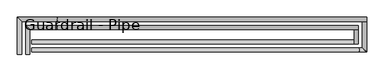
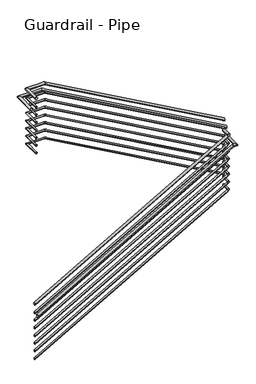
"""IFC4 building model written with IfcOpenShell, lengths in millimetres: railing geometry, Guardrail - Pipe."""

from ifc_helpers import new_model, si_unit, frame, origin, place, context, project, spatial, circle_curve, ellipse_curve, source, transform, mapped, element, save
from ifc_brep_helpers import plane_surface, cylinder_surface, advanced_brep


def guardrail_pipe_2bf0bba3(model_context):
    return source(origin(), model_context, "Body", "AdvancedBrep", [
        advanced_brep(
        [(2655.3404629, -22606.8340928, 12325.35), (2693.4404629, -22606.8340928, 12325.35), (2655.3404629, -22333.7840928, 12325.35), (2693.4404629, -22371.8840928, 12325.35), (2948.8126111, -22333.7840928, 12325.35), (2948.8126111, -22371.8840928, 12325.35), (5782.5952881, -22333.7840928, 10735.8587793), (5782.5952881, -22371.8840928, 10735.8587793)],
        [
            (0, 1, circle_curve(frame((2674.3904629, -22606.8340928, 12325.35), z_axis=(0.0, -1.0, 0.0), x_axis=(1.0, 0.0, 0.0)), 19.05)),
            (1, 0, circle_curve(frame((2674.3904629, -22606.8340928, 12325.35), z_axis=(0.0, -1.0, 0.0), x_axis=(1.0, 0.0, 0.0)), 19.05)),
            (0, 2),
            (2, 3, ellipse_curve(frame((2674.3904629, -22352.8340928, 12325.35), z_axis=(-0.7071067811865552, -0.7071067811865397, 0.0), x_axis=(0.7071067811865396, -0.7071067811865555, 0.0)), 26.9407684, 19.05)),
            (3, 1),
            (3, 2, ellipse_curve(frame((2674.3904629, -22352.8340928, 12325.35), z_axis=(-0.7071067811865552, -0.7071067811865397, 0.0), x_axis=(0.7071067811865396, -0.7071067811865555, 0.0)), 26.9407684, 19.05)),
            (2, 4),
            (4, 5, ellipse_curve(frame((2948.8126111, -22352.8340928, 12325.35), z_axis=(-0.9675143981160799, 0.0, 0.2528159200645393), x_axis=(-0.2528159200645399, 0.0, -0.9675143981160796)), 19.6896295, 19.05)),
            (5, 3),
            (5, 4, ellipse_curve(frame((2948.8126111, -22352.8340928, 12325.35), z_axis=(-0.9675143981160799, 0.0, 0.2528159200645393), x_axis=(-0.2528159200645399, 0.0, -0.9675143981160796)), 19.6896295, 19.05)),
            (6, 7, ellipse_curve(frame((5782.5952881, -22352.8340928, 10735.8587793), z_axis=(1.0, 0.0, 0.0), x_axis=(0.0, 0.0, 1.0)), 21.8421166, 19.05)),
            (7, 6, ellipse_curve(frame((5782.5952881, -22352.8340928, 10735.8587793), z_axis=(1.0, 0.0, 0.0), x_axis=(0.0, 0.0, 1.0)), 21.8421166, 19.05)),
            (4, 6),
            (7, 5),
        ],
        [
            plane_surface(frame((2674.3904629, -22606.8340928, 12344.4), z_axis=(0.0, -1.0, 0.0), x_axis=(0.0, 0.0, 1.0))),
            cylinder_surface(frame((2674.3904629, -22606.8340928, 12325.35), z_axis=(0.0, -1.0, 0.0), x_axis=(1.0, 0.0, 0.0)), 19.05),
            cylinder_surface(frame((2674.3904629, -22352.8340928, 12325.35), z_axis=(-1.0, 0.0, 0.0), x_axis=(0.0, -1.0, 0.0)), 19.05),
            plane_surface(frame((5782.5952881, -22352.8340928, 10757.7008959), z_axis=(1.0, 0.0, 0.0), x_axis=(0.0, 1.0, 0.0))),
            cylinder_surface(frame((2944.471087, -22352.8340928, 12327.7851954), z_axis=(-0.8721682211238411, 0.0, 0.48920608547081146), x_axis=(0.0, -1.0, 0.0)), 19.05),
        ],
        [
            (0, [[1, 2]]),
            (1, [[-1, 3, 4, 5]]),
            (1, [[-2, -5, 6, -3]]),
            (2, [[-4, 7, 8, 9]]),
            (2, [[-6, -9, 10, -7]]),
            (3, [[11, 12]]),
            (4, [[-8, 13, -12, 14]]),
            (4, [[-10, -14, -11, -13]]),
        ],
    ),
        advanced_brep(
        [(5782.5952881, -22371.8840928, 10576.0630435), (5744.4952881, -22371.8840928, 10576.0630435), (5782.5952881, -22509.0587769, 10576.0630435), (5744.4952881, -22509.0587769, 10576.0630435)],
        [
            (0, 1, circle_curve(frame((5763.5452881, -22371.8840928, 10576.0630435), z_axis=(0.0, 1.0, 0.0), x_axis=(-1.0, 0.0, 0.0)), 19.05)),
            (1, 0, circle_curve(frame((5763.5452881, -22371.8840928, 10576.0630435), z_axis=(0.0, 1.0, 0.0), x_axis=(-1.0, 0.0, 0.0)), 19.05)),
            (2, 3, circle_curve(frame((5763.5452881, -22509.0587769, 10576.0630435), z_axis=(0.0, -1.0, 0.0), x_axis=(-1.0, 0.0, 0.0)), 19.05)),
            (3, 2, circle_curve(frame((5763.5452881, -22509.0587769, 10576.0630435), z_axis=(0.0, -1.0, 0.0), x_axis=(-1.0, 0.0, 0.0)), 19.05)),
            (0, 2),
            (3, 1),
        ],
        [
            plane_surface(frame((5763.5452881, -22371.8840928, 10595.1130435), z_axis=(0.0, 1.0, 0.0), x_axis=(0.0, 0.0, -1.0))),
            plane_surface(frame((5763.5452881, -22509.0587769, 10595.1130435), z_axis=(0.0, -1.0, 0.0), x_axis=(0.0, 0.0, -1.0))),
            cylinder_surface(frame((5763.5452881, -22371.8840928, 10576.0630435), z_axis=(0.0, 1.0, 0.0), x_axis=(-1.0, 0.0, 0.0)), 19.05),
        ],
        [
            (0, [[1, 2]]),
            (1, [[3, 4]]),
            (2, [[-1, 5, -4, 6]]),
            (2, [[-2, -6, -3, -5]]),
        ],
    ),
        advanced_brep(
        [(5744.4952881, -22509.0587769, 10547.8938955), (5744.4952881, -22470.9587769, 10547.8938955), (2715.5452881, -22509.0587769, 8823.9065437), (2715.5452881, -22470.9587769, 8823.9065437)],
        [
            (0, 1, ellipse_curve(frame((5744.4952881, -22490.0087769, 10547.8938955), z_axis=(1.0, 0.0, 0.0), x_axis=(0.0, 0.0, 1.0)), 21.9195433, 19.05)),
            (1, 0, ellipse_curve(frame((5744.4952881, -22490.0087769, 10547.8938955), z_axis=(1.0, 0.0, 0.0), x_axis=(0.0, 0.0, 1.0)), 21.9195433, 19.05)),
            (2, 3, ellipse_curve(frame((2715.5452881, -22490.0087769, 8823.9065437), z_axis=(-1.0, 0.0, 0.0), x_axis=(0.0, 0.0, 1.0)), 21.9195433, 19.05)),
            (3, 2, ellipse_curve(frame((2715.5452881, -22490.0087769, 8823.9065437), z_axis=(-1.0, 0.0, 0.0), x_axis=(0.0, 0.0, 1.0)), 21.9195433, 19.05)),
            (0, 2),
            (3, 1),
        ],
        [
            plane_surface(frame((5744.4952881, -22490.0087769, 10569.8134387), z_axis=(1.0, 0.0, 0.0), x_axis=(0.0, -1.0, 0.0))),
            plane_surface(frame((2715.5452881, -22490.0087769, 8845.826087), z_axis=(-1.0, 0.0, 0.0), x_axis=(0.0, -1.0, 0.0))),
            cylinder_surface(frame((5753.9185319, -22490.0087769, 10553.2573228), z_axis=(0.8690874511906039, 0.0, 0.4946584702428735), x_axis=(0.0, 1.0, 0.0)), 19.05),
        ],
        [
            (0, [[1, 2]]),
            (1, [[3, 4]]),
            (2, [[-1, 5, -4, 6]]),
            (2, [[-2, -6, -3, -5]]),
        ],
    ),
        advanced_brep(
        [(2661.6904629, -22606.8340928, 12179.3), (2687.0904629, -22606.8340928, 12179.3), (2661.6904629, -22340.1340928, 12179.3), (2687.0904629, -22365.5340928, 12179.3), (2950.471895, -22340.1340928, 12179.3), (2950.471895, -22365.5340928, 12179.3), (5776.2452881, -22340.1340928, 10594.3012503), (5776.2452881, -22365.5340928, 10594.3012503)],
        [
            (0, 1, circle_curve(frame((2674.3904629, -22606.8340928, 12179.3), z_axis=(0.0, -1.0, 0.0), x_axis=(1.0, 0.0, 0.0)), 12.7)),
            (1, 0, circle_curve(frame((2674.3904629, -22606.8340928, 12179.3), z_axis=(0.0, -1.0, 0.0), x_axis=(1.0, 0.0, 0.0)), 12.7)),
            (0, 2),
            (2, 3, ellipse_curve(frame((2674.3904629, -22352.8340928, 12179.3), z_axis=(-0.7071067811865552, -0.7071067811865397, 0.0), x_axis=(0.7071067811865396, -0.7071067811865555, 0.0)), 17.9605122, 12.7)),
            (3, 1),
            (3, 2, ellipse_curve(frame((2674.3904629, -22352.8340928, 12179.3), z_axis=(-0.7071067811865552, -0.7071067811865397, 0.0), x_axis=(0.7071067811865396, -0.7071067811865555, 0.0)), 17.9605122, 12.7)),
            (2, 4),
            (4, 5, ellipse_curve(frame((2950.471895, -22352.8340928, 12179.3), z_axis=(-0.9675143981160799, 0.0, 0.2528159200645393), x_axis=(-0.2528159200645399, 0.0, -0.9675143981160796)), 13.1264196, 12.7)),
            (5, 3),
            (5, 4, ellipse_curve(frame((2950.471895, -22352.8340928, 12179.3), z_axis=(-0.9675143981160799, 0.0, 0.2528159200645393), x_axis=(-0.2528159200645399, 0.0, -0.9675143981160796)), 13.1264196, 12.7)),
            (6, 7, ellipse_curve(frame((5776.2452881, -22352.8340928, 10594.3012503), z_axis=(1.0, 0.0, 0.0), x_axis=(0.0, 0.0, 1.0)), 14.5614111, 12.7)),
            (7, 6, ellipse_curve(frame((5776.2452881, -22352.8340928, 10594.3012503), z_axis=(1.0, 0.0, 0.0), x_axis=(0.0, 0.0, 1.0)), 14.5614111, 12.7)),
            (4, 6),
            (7, 5),
        ],
        [
            plane_surface(frame((2674.3904629, -22606.8340928, 12192.0), z_axis=(0.0, -1.0, 0.0), x_axis=(0.0, 0.0, 1.0))),
            cylinder_surface(frame((2674.3904629, -22606.8340928, 12179.3), z_axis=(0.0, -1.0, 0.0), x_axis=(1.0, 0.0, 0.0)), 12.7),
            cylinder_surface(frame((2674.3904629, -22352.8340928, 12179.3), z_axis=(-1.0, 0.0, 0.0), x_axis=(0.0, -1.0, 0.0)), 12.7),
            plane_surface(frame((5776.2452881, -22352.8340928, 10608.8626613), z_axis=(1.0, 0.0, 0.0), x_axis=(0.0, 1.0, 0.0))),
            cylinder_surface(frame((2947.5775456, -22352.8340928, 12180.9234636), z_axis=(-0.8721682211238411, 0.0, 0.48920608547081146), x_axis=(0.0, -1.0, 0.0)), 12.7),
        ],
        [
            (0, [[1, 2]]),
            (1, [[-1, 3, 4, 5]]),
            (1, [[-2, -5, 6, -3]]),
            (2, [[-4, 7, 8, 9]]),
            (2, [[-6, -9, 10, -7]]),
            (3, [[11, 12]]),
            (4, [[-8, 13, -12, 14]]),
            (4, [[-10, -14, -11, -13]]),
        ],
    ),
        advanced_brep(
        [(5776.2452881, -22365.5340928, 10430.0130435), (5750.8452881, -22365.5340928, 10430.0130435), (5776.2452881, -22502.7087769, 10430.0130435), (5750.8452881, -22502.7087769, 10430.0130435)],
        [
            (0, 1, circle_curve(frame((5763.5452881, -22365.5340928, 10430.0130435), z_axis=(0.0, 1.0, 0.0), x_axis=(-1.0, 0.0, 0.0)), 12.7)),
            (1, 0, circle_curve(frame((5763.5452881, -22365.5340928, 10430.0130435), z_axis=(0.0, 1.0, 0.0), x_axis=(-1.0, 0.0, 0.0)), 12.7)),
            (2, 3, circle_curve(frame((5763.5452881, -22502.7087769, 10430.0130435), z_axis=(0.0, -1.0, 0.0), x_axis=(-1.0, 0.0, 0.0)), 12.7)),
            (3, 2, circle_curve(frame((5763.5452881, -22502.7087769, 10430.0130435), z_axis=(0.0, -1.0, 0.0), x_axis=(-1.0, 0.0, 0.0)), 12.7)),
            (0, 2),
            (3, 1),
        ],
        [
            plane_surface(frame((5763.5452881, -22365.5340928, 10442.7130435), z_axis=(0.0, 1.0, 0.0), x_axis=(0.0, 0.0, -1.0))),
            plane_surface(frame((5763.5452881, -22502.7087769, 10442.7130435), z_axis=(0.0, -1.0, 0.0), x_axis=(0.0, 0.0, -1.0))),
            cylinder_surface(frame((5763.5452881, -22365.5340928, 10430.0130435), z_axis=(0.0, 1.0, 0.0), x_axis=(-1.0, 0.0, 0.0)), 12.7),
        ],
        [
            (0, [[1, 2]]),
            (1, [[3, 4]]),
            (2, [[-1, 5, -4, 6]]),
            (2, [[-2, -6, -3, -5]]),
        ],
    ),
        advanced_brep(
        [(5750.8452881, -22502.7087769, 10406.4146391), (5750.8452881, -22477.3087769, 10406.4146391), (2715.5452881, -22502.7087769, 8678.8130581), (2715.5452881, -22477.3087769, 8678.8130581)],
        [
            (0, 1, ellipse_curve(frame((5750.8452881, -22490.0087769, 10406.4146391), z_axis=(1.0, 0.0, 0.0), x_axis=(0.0, 0.0, 1.0)), 14.6130289, 12.7)),
            (1, 0, ellipse_curve(frame((5750.8452881, -22490.0087769, 10406.4146391), z_axis=(1.0, 0.0, 0.0), x_axis=(0.0, 0.0, 1.0)), 14.6130289, 12.7)),
            (2, 3, ellipse_curve(frame((2715.5452881, -22490.0087769, 8678.8130581), z_axis=(-1.0, 0.0, 0.0), x_axis=(0.0, 0.0, 1.0)), 14.6130289, 12.7)),
            (3, 2, ellipse_curve(frame((2715.5452881, -22490.0087769, 8678.8130581), z_axis=(-1.0, 0.0, 0.0), x_axis=(0.0, 0.0, 1.0)), 14.6130289, 12.7)),
            (0, 2),
            (3, 1),
        ],
        [
            plane_surface(frame((5750.8452881, -22490.0087769, 10421.027668), z_axis=(1.0, 0.0, 0.0), x_axis=(0.0, -1.0, 0.0))),
            plane_surface(frame((2715.5452881, -22490.0087769, 8693.426087), z_axis=(-1.0, 0.0, 0.0), x_axis=(0.0, -1.0, 0.0))),
            cylinder_surface(frame((5757.1274506, -22490.0087769, 10409.9902574), z_axis=(0.8690874511906039, 0.0, 0.4946584702428735), x_axis=(0.0, 1.0, 0.0)), 12.7),
        ],
        [
            (0, [[1, 2]]),
            (1, [[3, 4]]),
            (2, [[-1, 5, -4, 6]]),
            (2, [[-2, -6, -3, -5]]),
        ],
    ),
        advanced_brep(
        [(2579.1404629, -22606.8340928, 12172.95), (2617.2404629, -22606.8340928, 12172.95), (2579.1404629, -22257.5840928, 12172.95), (2617.2404629, -22295.6840928, 12172.95), (2948.8126111, -22257.5840928, 12172.95), (2948.8126111, -22295.6840928, 12172.95), (5858.7952881, -22257.5840928, 10540.7175938), (5858.7952881, -22295.6840928, 10540.7175938)],
        [
            (0, 1, circle_curve(frame((2598.1904629, -22606.8340928, 12172.95), z_axis=(0.0, -1.0, 0.0), x_axis=(1.0, 0.0, 0.0)), 19.05)),
            (1, 0, circle_curve(frame((2598.1904629, -22606.8340928, 12172.95), z_axis=(0.0, -1.0, 0.0), x_axis=(1.0, 0.0, 0.0)), 19.05)),
            (0, 2),
            (2, 3, ellipse_curve(frame((2598.1904629, -22276.6340928, 12172.95), z_axis=(-0.7071067811865552, -0.7071067811865397, 0.0), x_axis=(0.7071067811865396, -0.7071067811865555, 0.0)), 26.9407684, 19.05)),
            (3, 1),
            (3, 2, ellipse_curve(frame((2598.1904629, -22276.6340928, 12172.95), z_axis=(-0.7071067811865552, -0.7071067811865397, 0.0), x_axis=(0.7071067811865396, -0.7071067811865555, 0.0)), 26.9407684, 19.05)),
            (2, 4),
            (4, 5, ellipse_curve(frame((2948.8126111, -22276.6340928, 12172.95), z_axis=(-0.96751439811608, 0.0, 0.2528159200645394), x_axis=(-0.25281592006453896, 0.0, -0.9675143981160799)), 19.6896295, 19.05)),
            (5, 3),
            (5, 4, ellipse_curve(frame((2948.8126111, -22276.6340928, 12172.95), z_axis=(-0.96751439811608, 0.0, 0.2528159200645394), x_axis=(-0.25281592006453896, 0.0, -0.9675143981160799)), 19.6896295, 19.05)),
            (6, 7, ellipse_curve(frame((5858.7952881, -22276.6340928, 10540.7175938), z_axis=(1.0, 0.0, 0.0), x_axis=(0.0, 0.0, 1.0)), 21.8421166, 19.05)),
            (7, 6, ellipse_curve(frame((5858.7952881, -22276.6340928, 10540.7175938), z_axis=(1.0, 0.0, 0.0), x_axis=(0.0, 0.0, 1.0)), 21.8421166, 19.05)),
            (4, 6),
            (7, 5),
        ],
        [
            plane_surface(frame((2598.1904629, -22606.8340928, 12192.0), z_axis=(0.0, -1.0, 0.0), x_axis=(0.0, 0.0, 1.0))),
            cylinder_surface(frame((2598.1904629, -22606.8340928, 12172.95), z_axis=(0.0, -1.0, 0.0), x_axis=(1.0, 0.0, 0.0)), 19.05),
            cylinder_surface(frame((2598.1904629, -22276.6340928, 12172.95), z_axis=(-1.0, 0.0, 0.0), x_axis=(0.0, -1.0, 0.0)), 19.05),
            plane_surface(frame((5858.7952881, -22276.6340928, 10562.5597104), z_axis=(1.0, 0.0, 0.0), x_axis=(0.0, 1.0, 0.0))),
            cylinder_surface(frame((2944.471087, -22276.6340928, 12175.3851954), z_axis=(-0.872168221123841, 0.0, 0.48920608547081157), x_axis=(0.0, -1.0, 0.0)), 19.05),
        ],
        [
            (0, [[1, 2]]),
            (1, [[-1, 3, 4, 5]]),
            (1, [[-2, -5, 6, -3]]),
            (2, [[-4, 7, 8, 9]]),
            (2, [[-6, -9, 10, -7]]),
            (3, [[11, 12]]),
            (4, [[-8, 13, -12, 14]]),
            (4, [[-10, -14, -11, -13]]),
        ],
    ),
        advanced_brep(
        [(5858.7952881, -22295.6840928, 10423.6630435), (5820.6952881, -22295.6840928, 10423.6630435), (5858.7952881, -22585.2587769, 10423.6630435), (5820.6952881, -22547.1587769, 10423.6630435), (5793.9869162, -22585.2587769, 10423.6630435), (5793.9869162, -22547.1587769, 10423.6630435), (2715.5452881, -22585.2587769, 8671.5065437), (2715.5452881, -22547.1587769, 8671.5065437)],
        [
            (0, 1, circle_curve(frame((5839.7452881, -22295.6840928, 10423.6630435), z_axis=(0.0, 1.0, 0.0), x_axis=(-1.0, 0.0, 0.0)), 19.05)),
            (1, 0, circle_curve(frame((5839.7452881, -22295.6840928, 10423.6630435), z_axis=(0.0, 1.0, 0.0), x_axis=(-1.0, 0.0, 0.0)), 19.05)),
            (0, 2),
            (2, 3, ellipse_curve(frame((5839.7452881, -22566.2087769, 10423.6630435), z_axis=(0.7071067811865521, 0.707106781186543, 0.0), x_axis=(-0.7071067811865431, 0.7071067811865519, 0.0)), 26.9407684, 19.05)),
            (3, 1),
            (3, 2, ellipse_curve(frame((5839.7452881, -22566.2087769, 10423.6630435), z_axis=(0.7071067811865521, 0.707106781186543, 0.0), x_axis=(-0.7071067811865431, 0.7071067811865519, 0.0)), 26.9407684, 19.05)),
            (2, 4),
            (4, 5, ellipse_curve(frame((5793.9869162, -22566.2087769, 10423.6630435), z_axis=(0.9667180176221511, 0.0, 0.2558442385606879), x_axis=(0.2558442385606882, 0.0, -0.9667180176221513)), 19.7058497, 19.05)),
            (5, 3),
            (5, 4, ellipse_curve(frame((5793.9869162, -22566.2087769, 10423.6630435), z_axis=(0.9667180176221511, 0.0, 0.2558442385606879), x_axis=(0.2558442385606882, 0.0, -0.9667180176221513)), 19.7058497, 19.05)),
            (6, 7, ellipse_curve(frame((2715.5452881, -22566.2087769, 8671.5065437), z_axis=(-1.0, 0.0, 0.0), x_axis=(0.0, 0.0, 1.0)), 21.9195433, 19.05)),
            (7, 6, ellipse_curve(frame((2715.5452881, -22566.2087769, 8671.5065437), z_axis=(-1.0, 0.0, 0.0), x_axis=(0.0, 0.0, 1.0)), 21.9195433, 19.05)),
            (4, 6),
            (7, 5),
        ],
        [
            plane_surface(frame((5839.7452881, -22295.6840928, 10442.7130435), z_axis=(0.0, 1.0, 0.0), x_axis=(0.0, 0.0, -1.0))),
            cylinder_surface(frame((5839.7452881, -22295.6840928, 10423.6630435), z_axis=(0.0, 1.0, 0.0), x_axis=(-1.0, 0.0, 0.0)), 19.05),
            cylinder_surface(frame((5839.7452881, -22566.2087769, 10423.6630435), z_axis=(1.0, 0.0, 0.0), x_axis=(0.0, 1.0, 0.0)), 19.05),
            plane_surface(frame((2715.5452881, -22566.2087769, 8693.426087), z_axis=(-1.0, 0.0, 0.0), x_axis=(0.0, -1.0, 0.0))),
            cylinder_surface(frame((5798.3685319, -22566.2087769, 10426.1569275), z_axis=(0.8690874511906037, 0.0, 0.49465847024287385), x_axis=(0.0, 1.0, 0.0)), 19.05),
        ],
        [
            (0, [[1, 2]]),
            (1, [[-1, 3, 4, 5]]),
            (1, [[-2, -5, 6, -3]]),
            (2, [[-4, 7, 8, 9]]),
            (2, [[-6, -9, 10, -7]]),
            (3, [[11, 12]]),
            (4, [[-8, 13, -12, 14]]),
            (4, [[-10, -14, -11, -13]]),
        ],
    ),
        advanced_brep(
        [(2661.6904629, -22606.8340928, 12052.3), (2687.0904629, -22606.8340928, 12052.3), (2661.6904629, -22340.1340928, 12052.3), (2687.0904629, -22365.5340928, 12052.3), (2950.471895, -22340.1340928, 12052.3), (2950.471895, -22365.5340928, 12052.3), (5776.2452881, -22340.1340928, 10467.3012503), (5776.2452881, -22365.5340928, 10467.3012503)],
        [
            (0, 1, circle_curve(frame((2674.3904629, -22606.8340928, 12052.3), z_axis=(0.0, -1.0, 0.0), x_axis=(1.0, 0.0, 0.0)), 12.7)),
            (1, 0, circle_curve(frame((2674.3904629, -22606.8340928, 12052.3), z_axis=(0.0, -1.0, 0.0), x_axis=(1.0, 0.0, 0.0)), 12.7)),
            (0, 2),
            (2, 3, ellipse_curve(frame((2674.3904629, -22352.8340928, 12052.3), z_axis=(-0.7071067811865552, -0.7071067811865397, 0.0), x_axis=(0.7071067811865396, -0.7071067811865555, 0.0)), 17.9605122, 12.7)),
            (3, 1),
            (3, 2, ellipse_curve(frame((2674.3904629, -22352.8340928, 12052.3), z_axis=(-0.7071067811865552, -0.7071067811865397, 0.0), x_axis=(0.7071067811865396, -0.7071067811865555, 0.0)), 17.9605122, 12.7)),
            (2, 4),
            (4, 5, ellipse_curve(frame((2950.471895, -22352.8340928, 12052.3), z_axis=(-0.9675143981160799, 0.0, 0.2528159200645393), x_axis=(-0.2528159200645399, 0.0, -0.9675143981160796)), 13.1264196, 12.7)),
            (5, 3),
            (5, 4, ellipse_curve(frame((2950.471895, -22352.8340928, 12052.3), z_axis=(-0.9675143981160799, 0.0, 0.2528159200645393), x_axis=(-0.2528159200645399, 0.0, -0.9675143981160796)), 13.1264196, 12.7)),
            (6, 7, ellipse_curve(frame((5776.2452881, -22352.8340928, 10467.3012503), z_axis=(1.0, 0.0, 0.0), x_axis=(0.0, 0.0, 1.0)), 14.5614111, 12.7)),
            (7, 6, ellipse_curve(frame((5776.2452881, -22352.8340928, 10467.3012503), z_axis=(1.0, 0.0, 0.0), x_axis=(0.0, 0.0, 1.0)), 14.5614111, 12.7)),
            (4, 6),
            (7, 5),
        ],
        [
            plane_surface(frame((2674.3904629, -22606.8340928, 12065.0), z_axis=(0.0, -1.0, 0.0), x_axis=(0.0, 0.0, 1.0))),
            cylinder_surface(frame((2674.3904629, -22606.8340928, 12052.3), z_axis=(0.0, -1.0, 0.0), x_axis=(1.0, 0.0, 0.0)), 12.7),
            cylinder_surface(frame((2674.3904629, -22352.8340928, 12052.3), z_axis=(-1.0, 0.0, 0.0), x_axis=(0.0, -1.0, 0.0)), 12.7),
            plane_surface(frame((5776.2452881, -22352.8340928, 10481.8626613), z_axis=(1.0, 0.0, 0.0), x_axis=(0.0, 1.0, 0.0))),
            cylinder_surface(frame((2947.5775456, -22352.8340928, 12053.9234636), z_axis=(-0.8721682211238411, 0.0, 0.48920608547081146), x_axis=(0.0, -1.0, 0.0)), 12.7),
        ],
        [
            (0, [[1, 2]]),
            (1, [[-1, 3, 4, 5]]),
            (1, [[-2, -5, 6, -3]]),
            (2, [[-4, 7, 8, 9]]),
            (2, [[-6, -9, 10, -7]]),
            (3, [[11, 12]]),
            (4, [[-8, 13, -12, 14]]),
            (4, [[-10, -14, -11, -13]]),
        ],
    ),
        advanced_brep(
        [(5776.2452881, -22365.5340928, 10303.0130435), (5750.8452881, -22365.5340928, 10303.0130435), (5776.2452881, -22502.7087769, 10303.0130435), (5750.8452881, -22502.7087769, 10303.0130435)],
        [
            (0, 1, circle_curve(frame((5763.5452881, -22365.5340928, 10303.0130435), z_axis=(0.0, 1.0, 0.0), x_axis=(-1.0, 0.0, 0.0)), 12.7)),
            (1, 0, circle_curve(frame((5763.5452881, -22365.5340928, 10303.0130435), z_axis=(0.0, 1.0, 0.0), x_axis=(-1.0, 0.0, 0.0)), 12.7)),
            (2, 3, circle_curve(frame((5763.5452881, -22502.7087769, 10303.0130435), z_axis=(0.0, -1.0, 0.0), x_axis=(-1.0, 0.0, 0.0)), 12.7)),
            (3, 2, circle_curve(frame((5763.5452881, -22502.7087769, 10303.0130435), z_axis=(0.0, -1.0, 0.0), x_axis=(-1.0, 0.0, 0.0)), 12.7)),
            (0, 2),
            (3, 1),
        ],
        [
            plane_surface(frame((5763.5452881, -22365.5340928, 10315.7130435), z_axis=(0.0, 1.0, 0.0), x_axis=(0.0, 0.0, -1.0))),
            plane_surface(frame((5763.5452881, -22502.7087769, 10315.7130435), z_axis=(0.0, -1.0, 0.0), x_axis=(0.0, 0.0, -1.0))),
            cylinder_surface(frame((5763.5452881, -22365.5340928, 10303.0130435), z_axis=(0.0, 1.0, 0.0), x_axis=(-1.0, 0.0, 0.0)), 12.7),
        ],
        [
            (0, [[1, 2]]),
            (1, [[3, 4]]),
            (2, [[-1, 5, -4, 6]]),
            (2, [[-2, -6, -3, -5]]),
        ],
    ),
        advanced_brep(
        [(5750.8452881, -22502.7087769, 10279.4146391), (5750.8452881, -22477.3087769, 10279.4146391), (2715.5452881, -22502.7087769, 8551.8130581), (2715.5452881, -22477.3087769, 8551.8130581)],
        [
            (0, 1, ellipse_curve(frame((5750.8452881, -22490.0087769, 10279.4146391), z_axis=(1.0, 0.0, 0.0), x_axis=(0.0, 0.0, 1.0)), 14.6130289, 12.7)),
            (1, 0, ellipse_curve(frame((5750.8452881, -22490.0087769, 10279.4146391), z_axis=(1.0, 0.0, 0.0), x_axis=(0.0, 0.0, 1.0)), 14.6130289, 12.7)),
            (2, 3, ellipse_curve(frame((2715.5452881, -22490.0087769, 8551.8130581), z_axis=(-1.0, 0.0, 0.0), x_axis=(0.0, 0.0, 1.0)), 14.6130289, 12.7)),
            (3, 2, ellipse_curve(frame((2715.5452881, -22490.0087769, 8551.8130581), z_axis=(-1.0, 0.0, 0.0), x_axis=(0.0, 0.0, 1.0)), 14.6130289, 12.7)),
            (0, 2),
            (3, 1),
        ],
        [
            plane_surface(frame((5750.8452881, -22490.0087769, 10294.027668), z_axis=(1.0, 0.0, 0.0), x_axis=(0.0, -1.0, 0.0))),
            plane_surface(frame((2715.5452881, -22490.0087769, 8566.426087), z_axis=(-1.0, 0.0, 0.0), x_axis=(0.0, -1.0, 0.0))),
            cylinder_surface(frame((5757.1274506, -22490.0087769, 10282.9902574), z_axis=(0.8690874511906037, 0.0, 0.4946584702428737), x_axis=(0.0, 1.0, 0.0)), 12.7),
        ],
        [
            (0, [[1, 2]]),
            (1, [[3, 4]]),
            (2, [[-1, 5, -4, 6]]),
            (2, [[-2, -6, -3, -5]]),
        ],
    ),
        advanced_brep(
        [(2661.6904629, -22606.8340928, 11925.3), (2687.0904629, -22606.8340928, 11925.3), (2661.6904629, -22340.1340928, 11925.3), (2687.0904629, -22365.5340928, 11925.3), (2950.471895, -22340.1340928, 11925.3), (2950.471895, -22365.5340928, 11925.3), (5776.2452881, -22340.1340928, 10340.3012503), (5776.2452881, -22365.5340928, 10340.3012503)],
        [
            (0, 1, circle_curve(frame((2674.3904629, -22606.8340928, 11925.3), z_axis=(0.0, -1.0, 0.0), x_axis=(1.0, 0.0, 0.0)), 12.7)),
            (1, 0, circle_curve(frame((2674.3904629, -22606.8340928, 11925.3), z_axis=(0.0, -1.0, 0.0), x_axis=(1.0, 0.0, 0.0)), 12.7)),
            (0, 2),
            (2, 3, ellipse_curve(frame((2674.3904629, -22352.8340928, 11925.3), z_axis=(-0.7071067811865552, -0.7071067811865397, 0.0), x_axis=(0.7071067811865396, -0.7071067811865555, 0.0)), 17.9605122, 12.7)),
            (3, 1),
            (3, 2, ellipse_curve(frame((2674.3904629, -22352.8340928, 11925.3), z_axis=(-0.7071067811865552, -0.7071067811865397, 0.0), x_axis=(0.7071067811865396, -0.7071067811865555, 0.0)), 17.9605122, 12.7)),
            (2, 4),
            (4, 5, ellipse_curve(frame((2950.471895, -22352.8340928, 11925.3), z_axis=(-0.9675143981160799, 0.0, 0.2528159200645393), x_axis=(-0.2528159200645399, 0.0, -0.9675143981160796)), 13.1264196, 12.7)),
            (5, 3),
            (5, 4, ellipse_curve(frame((2950.471895, -22352.8340928, 11925.3), z_axis=(-0.9675143981160799, 0.0, 0.2528159200645393), x_axis=(-0.2528159200645399, 0.0, -0.9675143981160796)), 13.1264196, 12.7)),
            (6, 7, ellipse_curve(frame((5776.2452881, -22352.8340928, 10340.3012503), z_axis=(1.0, 0.0, 0.0), x_axis=(0.0, 0.0, 1.0)), 14.5614111, 12.7)),
            (7, 6, ellipse_curve(frame((5776.2452881, -22352.8340928, 10340.3012503), z_axis=(1.0, 0.0, 0.0), x_axis=(0.0, 0.0, 1.0)), 14.5614111, 12.7)),
            (4, 6),
            (7, 5),
        ],
        [
            plane_surface(frame((2674.3904629, -22606.8340928, 11938.0), z_axis=(0.0, -1.0, 0.0), x_axis=(0.0, 0.0, 1.0))),
            cylinder_surface(frame((2674.3904629, -22606.8340928, 11925.3), z_axis=(0.0, -1.0, 0.0), x_axis=(1.0, 0.0, 0.0)), 12.7),
            cylinder_surface(frame((2674.3904629, -22352.8340928, 11925.3), z_axis=(-1.0, 0.0, 0.0), x_axis=(0.0, -1.0, 0.0)), 12.7),
            plane_surface(frame((5776.2452881, -22352.8340928, 10354.8626613), z_axis=(1.0, 0.0, 0.0), x_axis=(0.0, 1.0, 0.0))),
            cylinder_surface(frame((2947.5775456, -22352.8340928, 11926.9234636), z_axis=(-0.8721682211238411, 0.0, 0.48920608547081146), x_axis=(0.0, -1.0, 0.0)), 12.7),
        ],
        [
            (0, [[1, 2]]),
            (1, [[-1, 3, 4, 5]]),
            (1, [[-2, -5, 6, -3]]),
            (2, [[-4, 7, 8, 9]]),
            (2, [[-6, -9, 10, -7]]),
            (3, [[11, 12]]),
            (4, [[-8, 13, -12, 14]]),
            (4, [[-10, -14, -11, -13]]),
        ],
    ),
        advanced_brep(
        [(5776.2452881, -22365.5340928, 10176.0130435), (5750.8452881, -22365.5340928, 10176.0130435), (5776.2452881, -22502.7087769, 10176.0130435), (5750.8452881, -22502.7087769, 10176.0130435)],
        [
            (0, 1, circle_curve(frame((5763.5452881, -22365.5340928, 10176.0130435), z_axis=(0.0, 1.0, 0.0), x_axis=(-1.0, 0.0, 0.0)), 12.7)),
            (1, 0, circle_curve(frame((5763.5452881, -22365.5340928, 10176.0130435), z_axis=(0.0, 1.0, 0.0), x_axis=(-1.0, 0.0, 0.0)), 12.7)),
            (2, 3, circle_curve(frame((5763.5452881, -22502.7087769, 10176.0130435), z_axis=(0.0, -1.0, 0.0), x_axis=(-1.0, 0.0, 0.0)), 12.7)),
            (3, 2, circle_curve(frame((5763.5452881, -22502.7087769, 10176.0130435), z_axis=(0.0, -1.0, 0.0), x_axis=(-1.0, 0.0, 0.0)), 12.7)),
            (0, 2),
            (3, 1),
        ],
        [
            plane_surface(frame((5763.5452881, -22365.5340928, 10188.7130435), z_axis=(0.0, 1.0, 0.0), x_axis=(0.0, 0.0, -1.0))),
            plane_surface(frame((5763.5452881, -22502.7087769, 10188.7130435), z_axis=(0.0, -1.0, 0.0), x_axis=(0.0, 0.0, -1.0))),
            cylinder_surface(frame((5763.5452881, -22365.5340928, 10176.0130435), z_axis=(0.0, 1.0, 0.0), x_axis=(-1.0, 0.0, 0.0)), 12.7),
        ],
        [
            (0, [[1, 2]]),
            (1, [[3, 4]]),
            (2, [[-1, 5, -4, 6]]),
            (2, [[-2, -6, -3, -5]]),
        ],
    ),
        advanced_brep(
        [(5750.8452881, -22502.7087769, 10152.4146391), (5750.8452881, -22477.3087769, 10152.4146391), (2715.5452881, -22502.7087769, 8424.8130581), (2715.5452881, -22477.3087769, 8424.8130581)],
        [
            (0, 1, ellipse_curve(frame((5750.8452881, -22490.0087769, 10152.4146391), z_axis=(1.0, 0.0, 0.0), x_axis=(0.0, 0.0, 1.0)), 14.6130289, 12.7)),
            (1, 0, ellipse_curve(frame((5750.8452881, -22490.0087769, 10152.4146391), z_axis=(1.0, 0.0, 0.0), x_axis=(0.0, 0.0, 1.0)), 14.6130289, 12.7)),
            (2, 3, ellipse_curve(frame((2715.5452881, -22490.0087769, 8424.8130581), z_axis=(-1.0, 0.0, 0.0), x_axis=(0.0, 0.0, 1.0)), 14.6130289, 12.7)),
            (3, 2, ellipse_curve(frame((2715.5452881, -22490.0087769, 8424.8130581), z_axis=(-1.0, 0.0, 0.0), x_axis=(0.0, 0.0, 1.0)), 14.6130289, 12.7)),
            (0, 2),
            (3, 1),
        ],
        [
            plane_surface(frame((5750.8452881, -22490.0087769, 10167.027668), z_axis=(1.0, 0.0, 0.0), x_axis=(0.0, -1.0, 0.0))),
            plane_surface(frame((2715.5452881, -22490.0087769, 8439.426087), z_axis=(-1.0, 0.0, 0.0), x_axis=(0.0, -1.0, 0.0))),
            cylinder_surface(frame((5757.1274506, -22490.0087769, 10155.9902574), z_axis=(0.8690874511906037, 0.0, 0.4946584702428737), x_axis=(0.0, 1.0, 0.0)), 12.7),
        ],
        [
            (0, [[1, 2]]),
            (1, [[3, 4]]),
            (2, [[-1, 5, -4, 6]]),
            (2, [[-2, -6, -3, -5]]),
        ],
    ),
        advanced_brep(
        [(2661.6904629, -22606.8340928, 11798.3), (2687.0904629, -22606.8340928, 11798.3), (2661.6904629, -22340.1340928, 11798.3), (2687.0904629, -22365.5340928, 11798.3), (2950.471895, -22340.1340928, 11798.3), (2950.471895, -22365.5340928, 11798.3), (5776.2452881, -22340.1340928, 10213.3012503), (5776.2452881, -22365.5340928, 10213.3012503)],
        [
            (0, 1, circle_curve(frame((2674.3904629, -22606.8340928, 11798.3), z_axis=(0.0, -1.0, 0.0), x_axis=(1.0, 0.0, 0.0)), 12.7)),
            (1, 0, circle_curve(frame((2674.3904629, -22606.8340928, 11798.3), z_axis=(0.0, -1.0, 0.0), x_axis=(1.0, 0.0, 0.0)), 12.7)),
            (0, 2),
            (2, 3, ellipse_curve(frame((2674.3904629, -22352.8340928, 11798.3), z_axis=(-0.7071067811865552, -0.7071067811865397, 0.0), x_axis=(0.7071067811865396, -0.7071067811865555, 0.0)), 17.9605122, 12.7)),
            (3, 1),
            (3, 2, ellipse_curve(frame((2674.3904629, -22352.8340928, 11798.3), z_axis=(-0.7071067811865552, -0.7071067811865397, 0.0), x_axis=(0.7071067811865396, -0.7071067811865555, 0.0)), 17.9605122, 12.7)),
            (2, 4),
            (4, 5, ellipse_curve(frame((2950.471895, -22352.8340928, 11798.3), z_axis=(-0.9675143981160799, 0.0, 0.2528159200645393), x_axis=(-0.2528159200645399, 0.0, -0.9675143981160796)), 13.1264196, 12.7)),
            (5, 3),
            (5, 4, ellipse_curve(frame((2950.471895, -22352.8340928, 11798.3), z_axis=(-0.9675143981160799, 0.0, 0.2528159200645393), x_axis=(-0.2528159200645399, 0.0, -0.9675143981160796)), 13.1264196, 12.7)),
            (6, 7, ellipse_curve(frame((5776.2452881, -22352.8340928, 10213.3012503), z_axis=(1.0, 0.0, 0.0), x_axis=(0.0, 0.0, 1.0)), 14.5614111, 12.7)),
            (7, 6, ellipse_curve(frame((5776.2452881, -22352.8340928, 10213.3012503), z_axis=(1.0, 0.0, 0.0), x_axis=(0.0, 0.0, 1.0)), 14.5614111, 12.7)),
            (4, 6),
            (7, 5),
        ],
        [
            plane_surface(frame((2674.3904629, -22606.8340928, 11811.0), z_axis=(0.0, -1.0, 0.0), x_axis=(0.0, 0.0, 1.0))),
            cylinder_surface(frame((2674.3904629, -22606.8340928, 11798.3), z_axis=(0.0, -1.0, 0.0), x_axis=(1.0, 0.0, 0.0)), 12.7),
            cylinder_surface(frame((2674.3904629, -22352.8340928, 11798.3), z_axis=(-1.0, 0.0, 0.0), x_axis=(0.0, -1.0, 0.0)), 12.7),
            plane_surface(frame((5776.2452881, -22352.8340928, 10227.8626613), z_axis=(1.0, 0.0, 0.0), x_axis=(0.0, 1.0, 0.0))),
            cylinder_surface(frame((2947.5775456, -22352.8340928, 11799.9234636), z_axis=(-0.8721682211238411, 0.0, 0.48920608547081146), x_axis=(0.0, -1.0, 0.0)), 12.7),
        ],
        [
            (0, [[1, 2]]),
            (1, [[-1, 3, 4, 5]]),
            (1, [[-2, -5, 6, -3]]),
            (2, [[-4, 7, 8, 9]]),
            (2, [[-6, -9, 10, -7]]),
            (3, [[11, 12]]),
            (4, [[-8, 13, -12, 14]]),
            (4, [[-10, -14, -11, -13]]),
        ],
    ),
        advanced_brep(
        [(5776.2452881, -22365.5340928, 10049.0130435), (5750.8452881, -22365.5340928, 10049.0130435), (5776.2452881, -22502.7087769, 10049.0130435), (5750.8452881, -22502.7087769, 10049.0130435)],
        [
            (0, 1, circle_curve(frame((5763.5452881, -22365.5340928, 10049.0130435), z_axis=(0.0, 1.0, 0.0), x_axis=(-1.0, 0.0, 0.0)), 12.7)),
            (1, 0, circle_curve(frame((5763.5452881, -22365.5340928, 10049.0130435), z_axis=(0.0, 1.0, 0.0), x_axis=(-1.0, 0.0, 0.0)), 12.7)),
            (2, 3, circle_curve(frame((5763.5452881, -22502.7087769, 10049.0130435), z_axis=(0.0, -1.0, 0.0), x_axis=(-1.0, 0.0, 0.0)), 12.7)),
            (3, 2, circle_curve(frame((5763.5452881, -22502.7087769, 10049.0130435), z_axis=(0.0, -1.0, 0.0), x_axis=(-1.0, 0.0, 0.0)), 12.7)),
            (0, 2),
            (3, 1),
        ],
        [
            plane_surface(frame((5763.5452881, -22365.5340928, 10061.7130435), z_axis=(0.0, 1.0, 0.0), x_axis=(0.0, 0.0, -1.0))),
            plane_surface(frame((5763.5452881, -22502.7087769, 10061.7130435), z_axis=(0.0, -1.0, 0.0), x_axis=(0.0, 0.0, -1.0))),
            cylinder_surface(frame((5763.5452881, -22365.5340928, 10049.0130435), z_axis=(0.0, 1.0, 0.0), x_axis=(-1.0, 0.0, 0.0)), 12.7),
        ],
        [
            (0, [[1, 2]]),
            (1, [[3, 4]]),
            (2, [[-1, 5, -4, 6]]),
            (2, [[-2, -6, -3, -5]]),
        ],
    ),
        advanced_brep(
        [(5750.8452881, -22502.7087769, 10025.4146391), (5750.8452881, -22477.3087769, 10025.4146391), (2715.5452881, -22502.7087769, 8297.8130581), (2715.5452881, -22477.3087769, 8297.8130581)],
        [
            (0, 1, ellipse_curve(frame((5750.8452881, -22490.0087769, 10025.4146391), z_axis=(1.0, 0.0, 0.0), x_axis=(0.0, 0.0, 1.0)), 14.6130289, 12.7)),
            (1, 0, ellipse_curve(frame((5750.8452881, -22490.0087769, 10025.4146391), z_axis=(1.0, 0.0, 0.0), x_axis=(0.0, 0.0, 1.0)), 14.6130289, 12.7)),
            (2, 3, ellipse_curve(frame((2715.5452881, -22490.0087769, 8297.8130581), z_axis=(-1.0, 0.0, 0.0), x_axis=(0.0, 0.0, 1.0)), 14.6130289, 12.7)),
            (3, 2, ellipse_curve(frame((2715.5452881, -22490.0087769, 8297.8130581), z_axis=(-1.0, 0.0, 0.0), x_axis=(0.0, 0.0, 1.0)), 14.6130289, 12.7)),
            (0, 2),
            (3, 1),
        ],
        [
            plane_surface(frame((5750.8452881, -22490.0087769, 10040.027668), z_axis=(1.0, 0.0, 0.0), x_axis=(0.0, -1.0, 0.0))),
            plane_surface(frame((2715.5452881, -22490.0087769, 8312.426087), z_axis=(-1.0, 0.0, 0.0), x_axis=(0.0, -1.0, 0.0))),
            cylinder_surface(frame((5757.1274506, -22490.0087769, 10028.9902574), z_axis=(0.8690874511906039, 0.0, 0.4946584702428735), x_axis=(0.0, 1.0, 0.0)), 12.7),
        ],
        [
            (0, [[1, 2]]),
            (1, [[3, 4]]),
            (2, [[-1, 5, -4, 6]]),
            (2, [[-2, -6, -3, -5]]),
        ],
    ),
        advanced_brep(
        [(2661.6904629, -22606.8340928, 11671.3), (2687.0904629, -22606.8340928, 11671.3), (2661.6904629, -22340.1340928, 11671.3), (2687.0904629, -22365.5340928, 11671.3), (2950.471895, -22340.1340928, 11671.3), (2950.471895, -22365.5340928, 11671.3), (5776.2452881, -22340.1340928, 10086.3012503), (5776.2452881, -22365.5340928, 10086.3012503)],
        [
            (0, 1, circle_curve(frame((2674.3904629, -22606.8340928, 11671.3), z_axis=(0.0, -1.0, 0.0), x_axis=(1.0, 0.0, 0.0)), 12.7)),
            (1, 0, circle_curve(frame((2674.3904629, -22606.8340928, 11671.3), z_axis=(0.0, -1.0, 0.0), x_axis=(1.0, 0.0, 0.0)), 12.7)),
            (0, 2),
            (2, 3, ellipse_curve(frame((2674.3904629, -22352.8340928, 11671.3), z_axis=(-0.7071067811865552, -0.7071067811865397, 0.0), x_axis=(0.7071067811865396, -0.7071067811865555, 0.0)), 17.9605122, 12.7)),
            (3, 1),
            (3, 2, ellipse_curve(frame((2674.3904629, -22352.8340928, 11671.3), z_axis=(-0.7071067811865552, -0.7071067811865397, 0.0), x_axis=(0.7071067811865396, -0.7071067811865555, 0.0)), 17.9605122, 12.7)),
            (2, 4),
            (4, 5, ellipse_curve(frame((2950.471895, -22352.8340928, 11671.3), z_axis=(-0.9675143981160799, 0.0, 0.2528159200645393), x_axis=(-0.2528159200645399, 0.0, -0.9675143981160796)), 13.1264196, 12.7)),
            (5, 3),
            (5, 4, ellipse_curve(frame((2950.471895, -22352.8340928, 11671.3), z_axis=(-0.9675143981160799, 0.0, 0.2528159200645393), x_axis=(-0.2528159200645399, 0.0, -0.9675143981160796)), 13.1264196, 12.7)),
            (6, 7, ellipse_curve(frame((5776.2452881, -22352.8340928, 10086.3012503), z_axis=(1.0, 0.0, 0.0), x_axis=(0.0, 0.0, 1.0)), 14.5614111, 12.7)),
            (7, 6, ellipse_curve(frame((5776.2452881, -22352.8340928, 10086.3012503), z_axis=(1.0, 0.0, 0.0), x_axis=(0.0, 0.0, 1.0)), 14.5614111, 12.7)),
            (4, 6),
            (7, 5),
        ],
        [
            plane_surface(frame((2674.3904629, -22606.8340928, 11684.0), z_axis=(0.0, -1.0, 0.0), x_axis=(0.0, 0.0, 1.0))),
            cylinder_surface(frame((2674.3904629, -22606.8340928, 11671.3), z_axis=(0.0, -1.0, 0.0), x_axis=(1.0, 0.0, 0.0)), 12.7),
            cylinder_surface(frame((2674.3904629, -22352.8340928, 11671.3), z_axis=(-1.0, 0.0, 0.0), x_axis=(0.0, -1.0, 0.0)), 12.7),
            plane_surface(frame((5776.2452881, -22352.8340928, 10100.8626613), z_axis=(1.0, 0.0, 0.0), x_axis=(0.0, 1.0, 0.0))),
            cylinder_surface(frame((2947.5775456, -22352.8340928, 11672.9234636), z_axis=(-0.8721682211238411, 0.0, 0.48920608547081146), x_axis=(0.0, -1.0, 0.0)), 12.7),
        ],
        [
            (0, [[1, 2]]),
            (1, [[-1, 3, 4, 5]]),
            (1, [[-2, -5, 6, -3]]),
            (2, [[-4, 7, 8, 9]]),
            (2, [[-6, -9, 10, -7]]),
            (3, [[11, 12]]),
            (4, [[-8, 13, -12, 14]]),
            (4, [[-10, -14, -11, -13]]),
        ],
    ),
        advanced_brep(
        [(5776.2452881, -22365.5340928, 9922.0130435), (5750.8452881, -22365.5340928, 9922.0130435), (5776.2452881, -22502.7087769, 9922.0130435), (5750.8452881, -22502.7087769, 9922.0130435)],
        [
            (0, 1, circle_curve(frame((5763.5452881, -22365.5340928, 9922.0130435), z_axis=(0.0, 1.0, 0.0), x_axis=(-1.0, 0.0, 0.0)), 12.7)),
            (1, 0, circle_curve(frame((5763.5452881, -22365.5340928, 9922.0130435), z_axis=(0.0, 1.0, 0.0), x_axis=(-1.0, 0.0, 0.0)), 12.7)),
            (2, 3, circle_curve(frame((5763.5452881, -22502.7087769, 9922.0130435), z_axis=(0.0, -1.0, 0.0), x_axis=(-1.0, 0.0, 0.0)), 12.7)),
            (3, 2, circle_curve(frame((5763.5452881, -22502.7087769, 9922.0130435), z_axis=(0.0, -1.0, 0.0), x_axis=(-1.0, 0.0, 0.0)), 12.7)),
            (0, 2),
            (3, 1),
        ],
        [
            plane_surface(frame((5763.5452881, -22365.5340928, 9934.7130435), z_axis=(0.0, 1.0, 0.0), x_axis=(0.0, 0.0, -1.0))),
            plane_surface(frame((5763.5452881, -22502.7087769, 9934.7130435), z_axis=(0.0, -1.0, 0.0), x_axis=(0.0, 0.0, -1.0))),
            cylinder_surface(frame((5763.5452881, -22365.5340928, 9922.0130435), z_axis=(0.0, 1.0, 0.0), x_axis=(-1.0, 0.0, 0.0)), 12.7),
        ],
        [
            (0, [[1, 2]]),
            (1, [[3, 4]]),
            (2, [[-1, 5, -4, 6]]),
            (2, [[-2, -6, -3, -5]]),
        ],
    ),
        advanced_brep(
        [(5750.8452881, -22502.7087769, 9898.4146391), (5750.8452881, -22477.3087769, 9898.4146391), (2715.5452881, -22502.7087769, 8170.8130581), (2715.5452881, -22477.3087769, 8170.8130581)],
        [
            (0, 1, ellipse_curve(frame((5750.8452881, -22490.0087769, 9898.4146391), z_axis=(1.0, 0.0, 0.0), x_axis=(0.0, 0.0, 1.0)), 14.6130289, 12.7)),
            (1, 0, ellipse_curve(frame((5750.8452881, -22490.0087769, 9898.4146391), z_axis=(1.0, 0.0, 0.0), x_axis=(0.0, 0.0, 1.0)), 14.6130289, 12.7)),
            (2, 3, ellipse_curve(frame((2715.5452881, -22490.0087769, 8170.8130581), z_axis=(-1.0, 0.0, 0.0), x_axis=(0.0, 0.0, 1.0)), 14.6130289, 12.7)),
            (3, 2, ellipse_curve(frame((2715.5452881, -22490.0087769, 8170.8130581), z_axis=(-1.0, 0.0, 0.0), x_axis=(0.0, 0.0, 1.0)), 14.6130289, 12.7)),
            (0, 2),
            (3, 1),
        ],
        [
            plane_surface(frame((5750.8452881, -22490.0087769, 9913.027668), z_axis=(1.0, 0.0, 0.0), x_axis=(0.0, -1.0, 0.0))),
            plane_surface(frame((2715.5452881, -22490.0087769, 8185.426087), z_axis=(-1.0, 0.0, 0.0), x_axis=(0.0, -1.0, 0.0))),
            cylinder_surface(frame((5757.1274506, -22490.0087769, 9901.9902574), z_axis=(0.8690874511906037, 0.0, 0.4946584702428737), x_axis=(0.0, 1.0, 0.0)), 12.7),
        ],
        [
            (0, [[1, 2]]),
            (1, [[3, 4]]),
            (2, [[-1, 5, -4, 6]]),
            (2, [[-2, -6, -3, -5]]),
        ],
    ),
        advanced_brep(
        [(2661.6904629, -22606.8340928, 11544.3), (2687.0904629, -22606.8340928, 11544.3), (2661.6904629, -22340.1340928, 11544.3), (2687.0904629, -22365.5340928, 11544.3), (2950.471895, -22340.1340928, 11544.3), (2950.471895, -22365.5340928, 11544.3), (5776.2452881, -22340.1340928, 9959.3012503), (5776.2452881, -22365.5340928, 9959.3012503)],
        [
            (0, 1, circle_curve(frame((2674.3904629, -22606.8340928, 11544.3), z_axis=(0.0, -1.0, 0.0), x_axis=(1.0, 0.0, 0.0)), 12.7)),
            (1, 0, circle_curve(frame((2674.3904629, -22606.8340928, 11544.3), z_axis=(0.0, -1.0, 0.0), x_axis=(1.0, 0.0, 0.0)), 12.7)),
            (0, 2),
            (2, 3, ellipse_curve(frame((2674.3904629, -22352.8340928, 11544.3), z_axis=(-0.7071067811865552, -0.7071067811865397, 0.0), x_axis=(0.7071067811865396, -0.7071067811865555, 0.0)), 17.9605122, 12.7)),
            (3, 1),
            (3, 2, ellipse_curve(frame((2674.3904629, -22352.8340928, 11544.3), z_axis=(-0.7071067811865552, -0.7071067811865397, 0.0), x_axis=(0.7071067811865396, -0.7071067811865555, 0.0)), 17.9605122, 12.7)),
            (2, 4),
            (4, 5, ellipse_curve(frame((2950.471895, -22352.8340928, 11544.3), z_axis=(-0.9675143981160799, 0.0, 0.2528159200645393), x_axis=(-0.2528159200645399, 0.0, -0.9675143981160796)), 13.1264196, 12.7)),
            (5, 3),
            (5, 4, ellipse_curve(frame((2950.471895, -22352.8340928, 11544.3), z_axis=(-0.9675143981160799, 0.0, 0.2528159200645393), x_axis=(-0.2528159200645399, 0.0, -0.9675143981160796)), 13.1264196, 12.7)),
            (6, 7, ellipse_curve(frame((5776.2452881, -22352.8340928, 9959.3012503), z_axis=(1.0, 0.0, 0.0), x_axis=(0.0, 0.0, 1.0)), 14.5614111, 12.7)),
            (7, 6, ellipse_curve(frame((5776.2452881, -22352.8340928, 9959.3012503), z_axis=(1.0, 0.0, 0.0), x_axis=(0.0, 0.0, 1.0)), 14.5614111, 12.7)),
            (4, 6),
            (7, 5),
        ],
        [
            plane_surface(frame((2674.3904629, -22606.8340928, 11557.0), z_axis=(0.0, -1.0, 0.0), x_axis=(0.0, 0.0, 1.0))),
            cylinder_surface(frame((2674.3904629, -22606.8340928, 11544.3), z_axis=(0.0, -1.0, 0.0), x_axis=(1.0, 0.0, 0.0)), 12.7),
            cylinder_surface(frame((2674.3904629, -22352.8340928, 11544.3), z_axis=(-1.0, 0.0, 0.0), x_axis=(0.0, -1.0, 0.0)), 12.7),
            plane_surface(frame((5776.2452881, -22352.8340928, 9973.8626613), z_axis=(1.0, 0.0, 0.0), x_axis=(0.0, 1.0, 0.0))),
            cylinder_surface(frame((2947.5775456, -22352.8340928, 11545.9234636), z_axis=(-0.8721682211238411, 0.0, 0.48920608547081146), x_axis=(0.0, -1.0, 0.0)), 12.7),
        ],
        [
            (0, [[1, 2]]),
            (1, [[-1, 3, 4, 5]]),
            (1, [[-2, -5, 6, -3]]),
            (2, [[-4, 7, 8, 9]]),
            (2, [[-6, -9, 10, -7]]),
            (3, [[11, 12]]),
            (4, [[-8, 13, -12, 14]]),
            (4, [[-10, -14, -11, -13]]),
        ],
    ),
        advanced_brep(
        [(5776.2452881, -22365.5340928, 9795.0130435), (5750.8452881, -22365.5340928, 9795.0130435), (5776.2452881, -22502.7087769, 9795.0130435), (5750.8452881, -22502.7087769, 9795.0130435)],
        [
            (0, 1, circle_curve(frame((5763.5452881, -22365.5340928, 9795.0130435), z_axis=(0.0, 1.0, 0.0), x_axis=(-1.0, 0.0, 0.0)), 12.7)),
            (1, 0, circle_curve(frame((5763.5452881, -22365.5340928, 9795.0130435), z_axis=(0.0, 1.0, 0.0), x_axis=(-1.0, 0.0, 0.0)), 12.7)),
            (2, 3, circle_curve(frame((5763.5452881, -22502.7087769, 9795.0130435), z_axis=(0.0, -1.0, 0.0), x_axis=(-1.0, 0.0, 0.0)), 12.7)),
            (3, 2, circle_curve(frame((5763.5452881, -22502.7087769, 9795.0130435), z_axis=(0.0, -1.0, 0.0), x_axis=(-1.0, 0.0, 0.0)), 12.7)),
            (0, 2),
            (3, 1),
        ],
        [
            plane_surface(frame((5763.5452881, -22365.5340928, 9807.7130435), z_axis=(0.0, 1.0, 0.0), x_axis=(0.0, 0.0, -1.0))),
            plane_surface(frame((5763.5452881, -22502.7087769, 9807.7130435), z_axis=(0.0, -1.0, 0.0), x_axis=(0.0, 0.0, -1.0))),
            cylinder_surface(frame((5763.5452881, -22365.5340928, 9795.0130435), z_axis=(0.0, 1.0, 0.0), x_axis=(-1.0, 0.0, 0.0)), 12.7),
        ],
        [
            (0, [[1, 2]]),
            (1, [[3, 4]]),
            (2, [[-1, 5, -4, 6]]),
            (2, [[-2, -6, -3, -5]]),
        ],
    ),
        advanced_brep(
        [(5750.8452881, -22502.7087769, 9771.4146391), (5750.8452881, -22477.3087769, 9771.4146391), (2715.5452881, -22502.7087769, 8043.8130581), (2715.5452881, -22477.3087769, 8043.8130581)],
        [
            (0, 1, ellipse_curve(frame((5750.8452881, -22490.0087769, 9771.4146391), z_axis=(1.0, 0.0, 0.0), x_axis=(0.0, 0.0, 1.0)), 14.6130289, 12.7)),
            (1, 0, ellipse_curve(frame((5750.8452881, -22490.0087769, 9771.4146391), z_axis=(1.0, 0.0, 0.0), x_axis=(0.0, 0.0, 1.0)), 14.6130289, 12.7)),
            (2, 3, ellipse_curve(frame((2715.5452881, -22490.0087769, 8043.8130581), z_axis=(-1.0, 0.0, 0.0), x_axis=(0.0, 0.0, 1.0)), 14.6130289, 12.7)),
            (3, 2, ellipse_curve(frame((2715.5452881, -22490.0087769, 8043.8130581), z_axis=(-1.0, 0.0, 0.0), x_axis=(0.0, 0.0, 1.0)), 14.6130289, 12.7)),
            (0, 2),
            (3, 1),
        ],
        [
            plane_surface(frame((5750.8452881, -22490.0087769, 9786.027668), z_axis=(1.0, 0.0, 0.0), x_axis=(0.0, -1.0, 0.0))),
            plane_surface(frame((2715.5452881, -22490.0087769, 8058.426087), z_axis=(-1.0, 0.0, 0.0), x_axis=(0.0, -1.0, 0.0))),
            cylinder_surface(frame((5757.1274506, -22490.0087769, 9774.9902574), z_axis=(0.8690874511906037, 0.0, 0.4946584702428737), x_axis=(0.0, 1.0, 0.0)), 12.7),
        ],
        [
            (0, [[1, 2]]),
            (1, [[3, 4]]),
            (2, [[-1, 5, -4, 6]]),
            (2, [[-2, -6, -3, -5]]),
        ],
    ),
        advanced_brep(
        [(2661.6904629, -22606.8340928, 11417.3), (2687.0904629, -22606.8340928, 11417.3), (2661.6904629, -22340.1340928, 11417.3), (2687.0904629, -22365.5340928, 11417.3), (2950.471895, -22340.1340928, 11417.3), (2950.471895, -22365.5340928, 11417.3), (5776.2452881, -22340.1340928, 9832.3012503), (5776.2452881, -22365.5340928, 9832.3012503)],
        [
            (0, 1, circle_curve(frame((2674.3904629, -22606.8340928, 11417.3), z_axis=(0.0, -1.0, 0.0), x_axis=(1.0, 0.0, 0.0)), 12.7)),
            (1, 0, circle_curve(frame((2674.3904629, -22606.8340928, 11417.3), z_axis=(0.0, -1.0, 0.0), x_axis=(1.0, 0.0, 0.0)), 12.7)),
            (0, 2),
            (2, 3, ellipse_curve(frame((2674.3904629, -22352.8340928, 11417.3), z_axis=(-0.7071067811865552, -0.7071067811865397, 0.0), x_axis=(0.7071067811865396, -0.7071067811865555, 0.0)), 17.9605122, 12.7)),
            (3, 1),
            (3, 2, ellipse_curve(frame((2674.3904629, -22352.8340928, 11417.3), z_axis=(-0.7071067811865552, -0.7071067811865397, 0.0), x_axis=(0.7071067811865396, -0.7071067811865555, 0.0)), 17.9605122, 12.7)),
            (2, 4),
            (4, 5, ellipse_curve(frame((2950.471895, -22352.8340928, 11417.3), z_axis=(-0.9675143981160799, 0.0, 0.2528159200645393), x_axis=(-0.2528159200645399, 0.0, -0.9675143981160796)), 13.1264196, 12.7)),
            (5, 3),
            (5, 4, ellipse_curve(frame((2950.471895, -22352.8340928, 11417.3), z_axis=(-0.9675143981160799, 0.0, 0.2528159200645393), x_axis=(-0.2528159200645399, 0.0, -0.9675143981160796)), 13.1264196, 12.7)),
            (6, 7, ellipse_curve(frame((5776.2452881, -22352.8340928, 9832.3012503), z_axis=(1.0, 0.0, 0.0), x_axis=(0.0, 0.0, 1.0)), 14.5614111, 12.7)),
            (7, 6, ellipse_curve(frame((5776.2452881, -22352.8340928, 9832.3012503), z_axis=(1.0, 0.0, 0.0), x_axis=(0.0, 0.0, 1.0)), 14.5614111, 12.7)),
            (4, 6),
            (7, 5),
        ],
        [
            plane_surface(frame((2674.3904629, -22606.8340928, 11430.0), z_axis=(0.0, -1.0, 0.0), x_axis=(0.0, 0.0, 1.0))),
            cylinder_surface(frame((2674.3904629, -22606.8340928, 11417.3), z_axis=(0.0, -1.0, 0.0), x_axis=(1.0, 0.0, 0.0)), 12.7),
            cylinder_surface(frame((2674.3904629, -22352.8340928, 11417.3), z_axis=(-1.0, 0.0, 0.0), x_axis=(0.0, -1.0, 0.0)), 12.7),
            plane_surface(frame((5776.2452881, -22352.8340928, 9846.8626613), z_axis=(1.0, 0.0, 0.0), x_axis=(0.0, 1.0, 0.0))),
            cylinder_surface(frame((2947.5775456, -22352.8340928, 11418.9234636), z_axis=(-0.8721682211238411, 0.0, 0.48920608547081146), x_axis=(0.0, -1.0, 0.0)), 12.7),
        ],
        [
            (0, [[1, 2]]),
            (1, [[-1, 3, 4, 5]]),
            (1, [[-2, -5, 6, -3]]),
            (2, [[-4, 7, 8, 9]]),
            (2, [[-6, -9, 10, -7]]),
            (3, [[11, 12]]),
            (4, [[-8, 13, -12, 14]]),
            (4, [[-10, -14, -11, -13]]),
        ],
    ),
        advanced_brep(
        [(5776.2452881, -22365.5340928, 9668.0130435), (5750.8452881, -22365.5340928, 9668.0130435), (5776.2452881, -22502.7087769, 9668.0130435), (5750.8452881, -22502.7087769, 9668.0130435)],
        [
            (0, 1, circle_curve(frame((5763.5452881, -22365.5340928, 9668.0130435), z_axis=(0.0, 1.0, 0.0), x_axis=(-1.0, 0.0, 0.0)), 12.7)),
            (1, 0, circle_curve(frame((5763.5452881, -22365.5340928, 9668.0130435), z_axis=(0.0, 1.0, 0.0), x_axis=(-1.0, 0.0, 0.0)), 12.7)),
            (2, 3, circle_curve(frame((5763.5452881, -22502.7087769, 9668.0130435), z_axis=(0.0, -1.0, 0.0), x_axis=(-1.0, 0.0, 0.0)), 12.7)),
            (3, 2, circle_curve(frame((5763.5452881, -22502.7087769, 9668.0130435), z_axis=(0.0, -1.0, 0.0), x_axis=(-1.0, 0.0, 0.0)), 12.7)),
            (0, 2),
            (3, 1),
        ],
        [
            plane_surface(frame((5763.5452881, -22365.5340928, 9680.7130435), z_axis=(0.0, 1.0, 0.0), x_axis=(0.0, 0.0, -1.0))),
            plane_surface(frame((5763.5452881, -22502.7087769, 9680.7130435), z_axis=(0.0, -1.0, 0.0), x_axis=(0.0, 0.0, -1.0))),
            cylinder_surface(frame((5763.5452881, -22365.5340928, 9668.0130435), z_axis=(0.0, 1.0, 0.0), x_axis=(-1.0, 0.0, 0.0)), 12.7),
        ],
        [
            (0, [[1, 2]]),
            (1, [[3, 4]]),
            (2, [[-1, 5, -4, 6]]),
            (2, [[-2, -6, -3, -5]]),
        ],
    ),
        advanced_brep(
        [(5750.8452881, -22502.7087769, 9644.4146391), (5750.8452881, -22477.3087769, 9644.4146391), (2715.5452881, -22502.7087769, 7916.8130581), (2715.5452881, -22477.3087769, 7916.8130581)],
        [
            (0, 1, ellipse_curve(frame((5750.8452881, -22490.0087769, 9644.4146391), z_axis=(1.0, 0.0, 0.0), x_axis=(0.0, 0.0, 1.0)), 14.6130289, 12.7)),
            (1, 0, ellipse_curve(frame((5750.8452881, -22490.0087769, 9644.4146391), z_axis=(1.0, 0.0, 0.0), x_axis=(0.0, 0.0, 1.0)), 14.6130289, 12.7)),
            (2, 3, ellipse_curve(frame((2715.5452881, -22490.0087769, 7916.8130581), z_axis=(-1.0, 0.0, 0.0), x_axis=(0.0, 0.0, 1.0)), 14.6130289, 12.7)),
            (3, 2, ellipse_curve(frame((2715.5452881, -22490.0087769, 7916.8130581), z_axis=(-1.0, 0.0, 0.0), x_axis=(0.0, 0.0, 1.0)), 14.6130289, 12.7)),
            (0, 2),
            (3, 1),
        ],
        [
            plane_surface(frame((5750.8452881, -22490.0087769, 9659.027668), z_axis=(1.0, 0.0, 0.0), x_axis=(0.0, -1.0, 0.0))),
            plane_surface(frame((2715.5452881, -22490.0087769, 7931.426087), z_axis=(-1.0, 0.0, 0.0), x_axis=(0.0, -1.0, 0.0))),
            cylinder_surface(frame((5757.1274506, -22490.0087769, 9647.9902574), z_axis=(0.8690874511906037, 0.0, 0.4946584702428737), x_axis=(0.0, 1.0, 0.0)), 12.7),
        ],
        [
            (0, [[1, 2]]),
            (1, [[3, 4]]),
            (2, [[-1, 5, -4, 6]]),
            (2, [[-2, -6, -3, -5]]),
        ],
    ),
    ])


if __name__ == "__main__":
    model = new_model("IFC4")
    model_context = context("Model", 3, world=origin())
    ifc_project = project(units=[si_unit("LENGTHUNIT", "METRE", prefix="MILLI")], contexts=[model_context])
    site = spatial("IfcSite", under=ifc_project)
    building = spatial("IfcBuilding", under=site)
    placement = place(None, origin())
    guardrail_pipe_shape = guardrail_pipe_2bf0bba3(model_context)
    element("IfcRailing", 1, ObjectType="Guardrail - Pipe", at=placement, inside=building, context=model_context, shape_type="MappedRepresentation", body=[
        mapped(guardrail_pipe_shape, transform((0.0, 0.0, 0.0), x_axis=(1.0, 0.0, 0.0), y_axis=(0.0, 1.0, 0.0), z_axis=(0.0, 0.0, 1.0))),
    ])
    save(model, "model.ifc")
